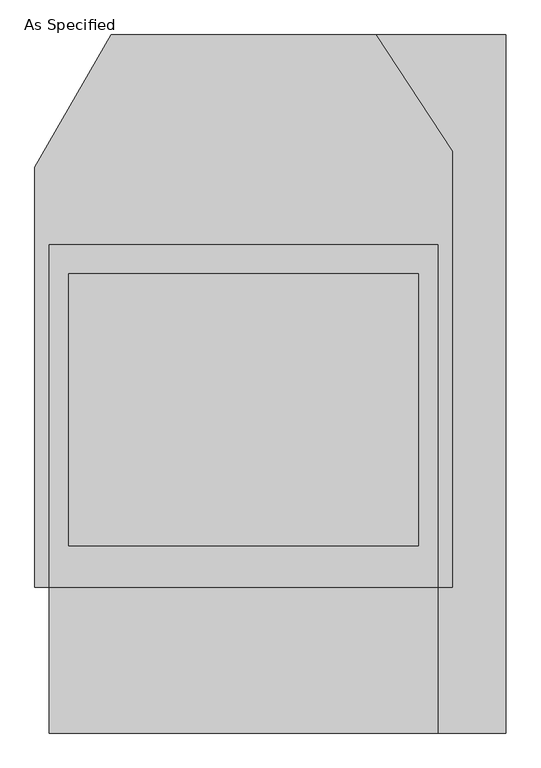
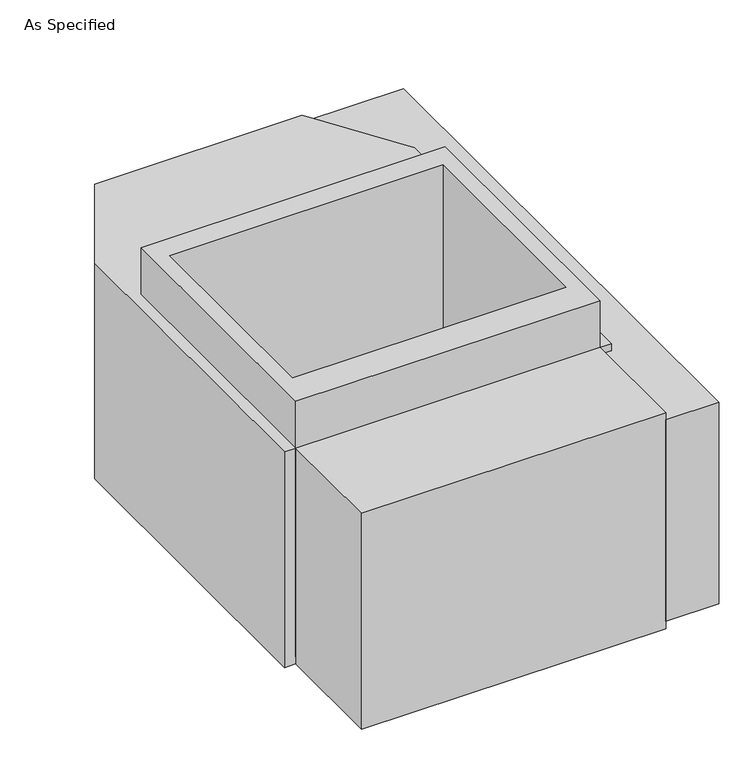
"""IFC4 building model written with IfcOpenShell, lengths in millimetres: proxy geometry, As Specified."""

from ifc_helpers import new_model, si_unit, frame, origin, place, context, project, spatial, polyline, outline, extrude, faceted_brep, source, transform, mapped, element, save


def as_specified_d63510ad(model_context):
    return source(origin(), model_context, "Body", "SolidModel", [
        extrude(outline(polyline([(508.0, -912.5148438), (508.0, -531.5148438), (546.1, -531.5148438), (546.1, 608.0233299), (346.660123, 912.5148437), (685.8, 912.5148437), (685.8, -912.5148438), (508.0, -912.5148438)])), frame((0.0, 0.0, -762.0), z_axis=(0.0, 0.0, 1.0), x_axis=(1.0, 0.0, 0.0)), (0.0, 0.0, 1.0), 711.2),
        extrude(outline(polyline([(508.0, 363.8351562), (508.0, -531.5148438), (-508.0, -531.5148438), (-508.0, 363.8351562), (508.0, 363.8351562)]), holes=[polyline([(-457.2, 287.6748437), (-457.2, -423.5251563), (457.2, -423.5251563), (457.2, 287.6748437), (-457.2, 287.6748437)])]), frame((0.0, 0.0, -762.0), z_axis=(0.0, 0.0, 1.0), x_axis=(1.0, 0.0, 0.0)), (0.0, 0.0, 1.0), 901.7),
        faceted_brep([(508.0, -912.5148438, -787.4), (-508.0, -912.5148438, -787.4), (-508.0, -531.5148438, -787.4), (-546.1, -531.5148438, -787.4), (-546.1, 567.0748437, -787.4), (-346.660123, 912.5148437, -787.4), (346.660123, 912.5148437, -787.4), (546.1, 608.0233299, -787.4), (546.1, -531.5148438, -787.4), (508.0, -531.5148438, -787.4), (508.0, -912.5148438, -25.4), (508.0, -531.5148438, -25.4), (546.1, -531.5148438, -25.4), (546.1, 608.0233299, -25.4), (346.660123, 912.5148437, -25.4), (-346.660123, 912.5148437, -25.4), (-546.1, 567.0748437, -25.4), (-546.1, -531.5148438, -25.4), (-508.0, -531.5148438, -25.4), (-508.0, -912.5148438, -25.4), (457.2, 287.6748437, -25.4), (457.2, -423.5251563, -25.4), (-457.2, -423.5251563, -25.4), (-457.2, 287.6748437, -25.4), (457.2, 287.6748437, -762.0), (-457.2, 287.6748437, -762.0), (-457.2, -423.5251563, -762.0), (457.2, -423.5251563, -762.0)], [[[0, 1, 2, 3, 4, 5, 6, 7, 8, 9]], [[10, 11, 12, 13, 14, 15, 16, 17, 18, 19], [20, 21, 22, 23]], [[6, 5, 15, 14]], [[3, 17, 16, 4]], [[17, 3, 2, 18]], [[8, 12, 11, 9]], [[12, 8, 7, 13]], [[0, 9, 11, 10]], [[2, 1, 19, 18]], [[1, 0, 10, 19]], [[5, 4, 16, 15]], [[7, 6, 14, 13]], [[24, 25, 26, 27]], [[24, 27, 21, 20]], [[27, 26, 22, 21]], [[26, 25, 23, 22]], [[25, 24, 20, 23]]]),
    ])


if __name__ == "__main__":
    model = new_model("IFC4")
    model_context = context("Model", 3, world=origin())
    ifc_project = project(units=[si_unit("LENGTHUNIT", "METRE", prefix="MILLI")], contexts=[model_context])
    site = spatial("IfcSite", under=ifc_project)
    building = spatial("IfcBuilding", under=site)
    placement = place(None, origin())
    as_specified_shape = as_specified_d63510ad(model_context)
    element("IfcBuildingElementProxy", 1, Name="As Specified", ObjectType="As Specified", at=placement, inside=building, context=model_context, shape_type="MappedRepresentation", body=[
        mapped(as_specified_shape, transform((0.0, 0.0, 0.0), x_axis=(1.0, 0.0, 0.0), y_axis=(0.0, 1.0, 0.0), z_axis=(0.0, 0.0, 1.0))),
    ])
    save(model, "model.ifc")
